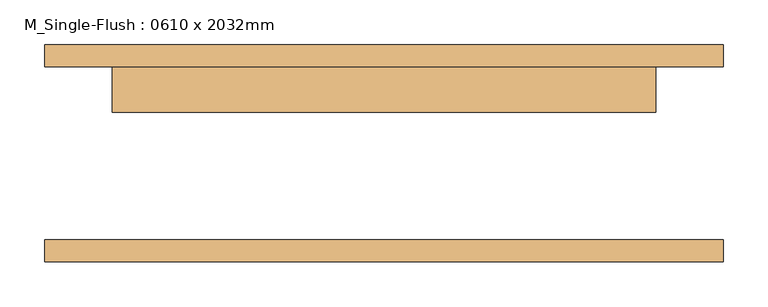
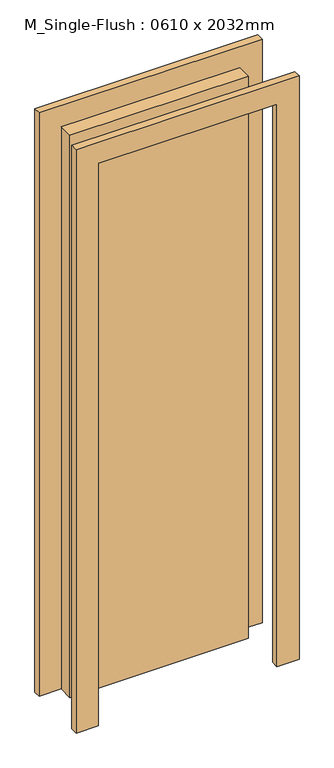
"""IFC4 building model written with IfcOpenShell, lengths in millimetres: door geometry, M_Single-Flush : 0610 x 2032mm."""

from ifc_helpers import new_model, si_unit, frame, origin, origin_with_axes, place, context, project, spatial, polyline, outline, extrude, source, transform, mapped, element, save


def m_single_flush_0610_x_2032mm_9239b0a7(model_context):
    return source(origin(), model_context, "Body", "SweptSolid", [
        extrude(outline(polyline([(2108.0, -381.0), (0.0, -381.0), (0.0, -305.0), (2032.0, -305.0), (2032.0, 305.0), (0.0, 305.0), (0.0, 381.0), (2108.0, 381.0), (2108.0, -381.0)])), frame((0.0, 97.0, 0.0), z_axis=(0.0, 1.0, 0.0), x_axis=(0.0, 0.0, 1.0)), (0.0, 0.0, 1.0), 25.0),
        extrude(outline(polyline([(2108.0, 381.0), (2108.0, -381.0), (0.0, -381.0), (0.0, -305.0), (2032.0, -305.0), (2032.0, 305.0), (0.0, 305.0), (0.0, 381.0), (2108.0, 381.0)])), frame((0.0, -122.0, 0.0), z_axis=(0.0, 1.0, 0.0), x_axis=(0.0, 0.0, 1.0)), (0.0, 0.0, 1.0), 25.0),
        extrude(outline(polyline([(305.0, 46.0), (-305.0, 46.0), (-305.0, 97.0), (305.0, 97.0), (305.0, 46.0)])), origin_with_axes(), (0.0, 0.0, 1.0), 2032.0),
    ])


if __name__ == "__main__":
    model = new_model("IFC4")
    model_context = context("Model", 3, world=origin())
    ifc_project = project(units=[si_unit("LENGTHUNIT", "METRE", prefix="MILLI")], contexts=[model_context])
    site = spatial("IfcSite", under=ifc_project)
    building = spatial("IfcBuilding", under=site)
    placement = place(None, origin())
    m_single_flush_0610_x_2032mm_shape = m_single_flush_0610_x_2032mm_9239b0a7(model_context)
    element("IfcDoor", 1, ObjectType="M_Single-Flush : 0610 x 2032mm", at=placement, inside=building, context=model_context, shape_type="MappedRepresentation", body=[
        mapped(m_single_flush_0610_x_2032mm_shape, transform((0.0, 0.0, 0.0), x_axis=(1.0, 0.0, 0.0), y_axis=(0.0, 1.0, 0.0), z_axis=(0.0, 0.0, 1.0))),
    ])
    save(model, "model.ifc")
